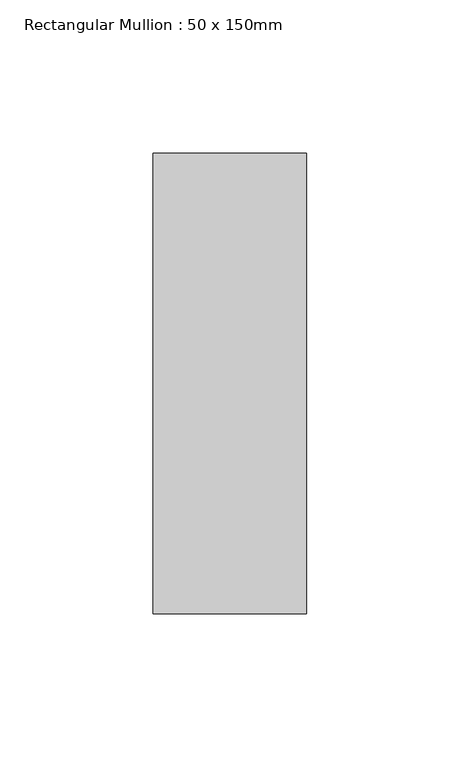
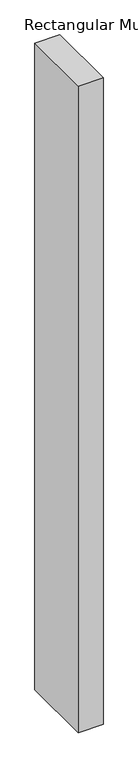
"""IFC4 building model written with IfcOpenShell, lengths in millimetres: member geometry, Rectangular Mullion : 50 x 150mm."""

from ifc_helpers import new_model, si_unit, frame, origin, place, context, project, spatial, polyline, outline, extrude, source, transform, mapped, element, save


def rectangular_mullion_50_x_150mm_e98f8973(model_context):
    return source(origin(), model_context, "Body", "SweptSolid", [
        extrude(outline(polyline([(25.0, 75.0), (25.0, -75.0), (-25.0, -75.0), (-25.0, 75.0), (25.0, 75.0)])), frame((0.0, 0.0, -1370.6248606), z_axis=(0.0, 0.0, 1.0), x_axis=(1.0, 0.0, 0.0)), (0.0, 0.0, 1.0), 1370.6248606),
    ])


if __name__ == "__main__":
    model = new_model("IFC4")
    model_context = context("Model", 3, world=origin())
    ifc_project = project(units=[si_unit("LENGTHUNIT", "METRE", prefix="MILLI")], contexts=[model_context])
    site = spatial("IfcSite", under=ifc_project)
    building = spatial("IfcBuilding", under=site)
    placement = place(None, origin())
    rectangular_mullion_50_x_150mm_shape = rectangular_mullion_50_x_150mm_e98f8973(model_context)
    element("IfcMember", 1, ObjectType="Rectangular Mullion : 50 x 150mm", at=placement, inside=building, context=model_context, shape_type="MappedRepresentation", body=[
        mapped(rectangular_mullion_50_x_150mm_shape, transform((0.0, 0.0, 0.0), x_axis=(1.0, 0.0, 0.0), y_axis=(0.0, 1.0, 0.0), z_axis=(0.0, 0.0, 1.0))),
    ])
    save(model, "model.ifc")
